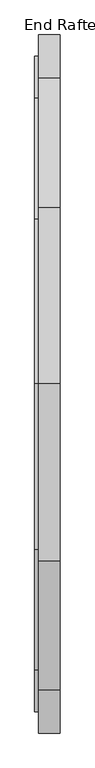
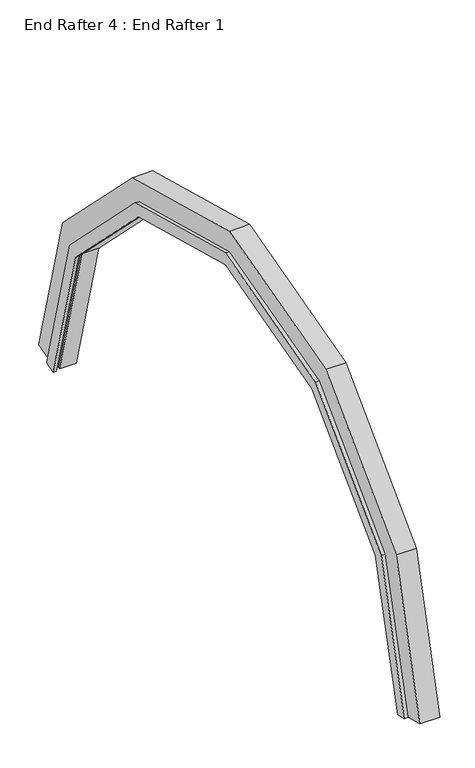
"""IFC4 building model written with IfcOpenShell, lengths in millimetres: proxy geometry, End Rafter 4 : End Rafter 1."""

from ifc_helpers import new_model, si_unit, origin, place, context, project, spatial, faceted_brep, source, transform, mapped, element, save


def end_rafter_4_end_rafter_1_74a9bec6(model_context):
    return source(origin(), model_context, "Body", "Brep", [
        faceted_brep([(-5117.4847818, 10016.6029162, 980.4930523), (-5010.8484944, 10016.6029162, 980.4930523), (-5010.8484944, 9852.8851162, 936.625), (-5099.7506493, 9852.8851162, 936.625), (-5099.7506493, 9865.1547132, 939.9126286), (-5122.217609, 9865.1547132, 939.9126286), (-5122.217609, 9846.7538262, 934.9821258), (-5138.086916, 9846.7538262, 934.9821258), (-5138.086916, 9908.0945816, 951.4183317), (-5117.4847818, 9908.0945816, 951.4183317), (-5117.4847818, 9796.7984564, 1800.814464), (-5010.8484944, 9796.7984564, 1800.814464), (-5010.8484944, 9145.7884859, 2451.8244346), (-5010.8484944, 8253.0909238, 2691.0220254), (-5010.8484944, 7360.3933617, 2451.8244346), (-5010.8484944, 6709.3833912, 1800.814464), (-5010.8484944, 6489.5789314, 980.4930523), (-5010.8484944, 6653.2967313, 936.625), (-5010.8484944, 6861.346782, 1713.0783594), (-5010.8484944, 7448.1294663, 2299.8610438), (-5010.8484944, 8253.0909238, 2515.5498162), (-5010.8484944, 9058.0523813, 2299.8610438), (-5010.8484944, 9644.8350656, 1713.0783594), (-5099.7506493, 9644.8350656, 1713.0783594), (-5099.7506493, 9058.0523813, 2299.8610438), (-5099.7506493, 8253.0909238, 2515.5498162), (-5099.7506493, 7448.1294663, 2299.8610438), (-5099.7506493, 6861.346782, 1713.0783594), (-5099.7506493, 6653.2967313, 936.625), (-5099.7506493, 6641.0271344, 939.9126286), (-5099.7506493, 6849.9581025, 1719.6536166), (-5099.7506493, 7441.5542091, 2311.2497233), (-5099.7506493, 8253.0909238, 2528.7003306), (-5099.7506493, 9064.6276384, 2311.2497233), (-5099.7506493, 9656.2237451, 1719.6536166), (-5122.217609, 9656.2237451, 1719.6536166), (-5122.217609, 9064.6276384, 2311.2497233), (-5122.217609, 8253.0909238, 2528.7003306), (-5122.217609, 7441.5542091, 2311.2497233), (-5122.217609, 6849.9581025, 1719.6536166), (-5122.217609, 6641.0271344, 939.9126286), (-5122.217609, 6659.4280214, 934.9821258), (-5122.217609, 6867.0378652, 1709.792611), (-5122.217609, 7451.4152148, 2294.1699605), (-5122.217609, 8253.0909238, 2508.9783193), (-5122.217609, 9054.7666328, 2294.1699605), (-5122.217609, 9639.1439824, 1709.792611), (-5138.086916, 9639.1439824, 1709.792611), (-5138.086916, 9054.7666328, 2294.1699605), (-5138.086916, 8253.0909238, 2508.9783193), (-5138.086916, 7451.4152148, 2294.1699605), (-5138.086916, 6867.0378652, 1709.792611), (-5138.086916, 6659.4280214, 934.9821258), (-5138.086916, 6598.087266, 951.4183317), (-5138.086916, 6810.1011779, 1742.6650227), (-5138.086916, 7418.542803, 2351.1066479), (-5138.086916, 8253.0909238, 2574.7231429), (-5138.086916, 9087.6390446, 2351.1066479), (-5138.086916, 9696.0806697, 1742.6650227), (-5117.4847818, 9696.0806697, 1742.6650227), (-5117.4847818, 9087.6390446, 2351.1066479), (-5117.4847818, 8253.0909238, 2574.7231429), (-5117.4847818, 7418.542803, 2351.1066479), (-5117.4847818, 6810.1011779, 1742.6650227), (-5117.4847818, 6598.087266, 951.4183317), (-5117.4847818, 6489.5789314, 980.4930523), (-5117.4847818, 6709.3833912, 1800.814464), (-5117.4847818, 7360.3933617, 2451.8244346), (-5117.4847818, 8253.0909238, 2691.0220254), (-5117.4847818, 9145.7884859, 2451.8244346)], [[[0, 1, 2, 3, 4, 5, 6, 7, 8, 9]], [[1, 0, 10, 11]], [[2, 1, 11, 12, 13, 14, 15, 16, 17, 18, 19, 20, 21, 22]], [[3, 2, 22, 23]], [[4, 3, 23, 24, 25, 26, 27, 28, 29, 30, 31, 32, 33, 34]], [[5, 4, 34, 35]], [[6, 5, 35, 36, 37, 38, 39, 40, 41, 42, 43, 44, 45, 46]], [[7, 6, 46, 47]], [[8, 7, 47, 48, 49, 50, 51, 52, 53, 54, 55, 56, 57, 58]], [[9, 8, 58, 59]], [[0, 9, 59, 60, 61, 62, 63, 64, 65, 66, 67, 68, 69, 10]], [[11, 10, 69, 12]], [[23, 22, 21, 24]], [[35, 34, 33, 36]], [[47, 46, 45, 48]], [[59, 58, 57, 60]], [[12, 69, 68, 13]], [[24, 21, 20, 25]], [[36, 33, 32, 37]], [[48, 45, 44, 49]], [[60, 57, 56, 61]], [[13, 68, 67, 14]], [[25, 20, 19, 26]], [[37, 32, 31, 38]], [[49, 44, 43, 50]], [[61, 56, 55, 62]], [[14, 67, 66, 15]], [[26, 19, 18, 27]], [[38, 31, 30, 39]], [[50, 43, 42, 51]], [[62, 55, 54, 63]], [[65, 64, 53, 52, 41, 40, 29, 28, 17, 16]], [[15, 66, 65, 16]], [[27, 18, 17, 28]], [[39, 30, 29, 40]], [[51, 42, 41, 52]], [[63, 54, 53, 64]]]),
    ])


if __name__ == "__main__":
    model = new_model("IFC4")
    model_context = context("Model", 3, world=origin())
    ifc_project = project(units=[si_unit("LENGTHUNIT", "METRE", prefix="MILLI")], contexts=[model_context])
    site = spatial("IfcSite", under=ifc_project)
    building = spatial("IfcBuilding", under=site)
    placement = place(None, origin())
    end_rafter_4_end_rafter_1_shape = end_rafter_4_end_rafter_1_74a9bec6(model_context)
    element("IfcBuildingElementProxy", 1, Name="End Rafter 4 : End Rafter 1", ObjectType="End Rafter 4 : End Rafter 1", at=placement, inside=building, context=model_context, shape_type="MappedRepresentation", body=[
        mapped(end_rafter_4_end_rafter_1_shape, transform((0.0, 0.0, 0.0), x_axis=(1.0, 0.0, 0.0), y_axis=(0.0, 1.0, 0.0), z_axis=(0.0, 0.0, 1.0))),
    ])
    save(model, "model.ifc")
